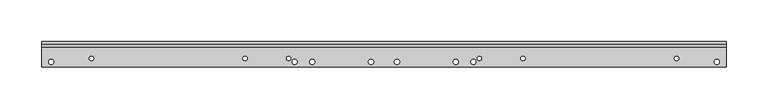
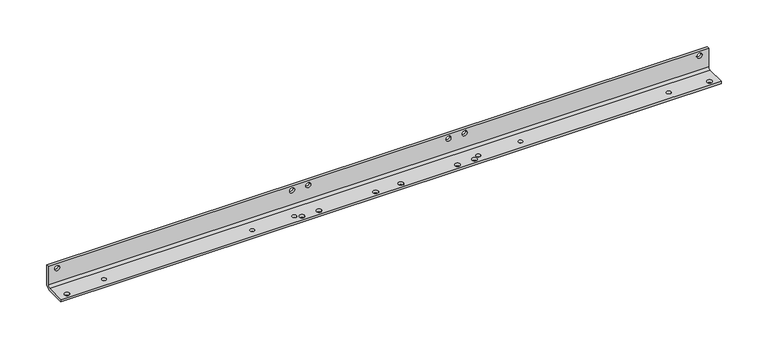
"""IFC4 building model written with IfcOpenShell, lengths in millimetres: proxy geometry."""

from ifc_helpers import new_model, si_unit, frame, origin, place, context, project, spatial, polyline, circle_curve, source, transform, mapped, element, save
from ifc_brep_helpers import plane_surface, cylinder_surface, revolved_surface, advanced_brep


def generic_models_61bf16f5(model_context):
    return source(origin(), model_context, "Body", "AdvancedBrep", [
        advanced_brep(
        [(-399.6, -9.0, 3.0), (-399.6, -9.0, 0.0), (-393.4, -9.0, 0.0), (-393.4, -9.0, 3.0), (393.4, -9.0, 3.0), (393.4, -9.0, 0.0), (399.6, -9.0, 0.0), (399.6, -9.0, 3.0), (399.6, 12.0, 24.0), (399.6, 15.0, 24.0), (393.4, 15.0, 24.0), (393.4, 12.0, 24.0), (-393.4, 12.0, 24.0), (-393.4, 15.0, 24.0), (-399.6, 15.0, 24.0), (-399.6, 12.0, 24.0), (-116.1, -5.0, 3.0), (-116.1, -5.0, 0.0), (-110.9, -5.0, 0.0), (-110.9, -5.0, 3.0), (110.9, -5.0, 3.0), (110.9, -5.0, 0.0), (116.1, -5.0, 0.0), (116.1, -5.0, 3.0), (345.9, -5.0, 3.0), (345.9, -5.0, 0.0), (351.1, -5.0, 0.0), (351.1, -5.0, 3.0), (-351.1, -5.0, 3.0), (-351.1, -5.0, 0.0), (-345.9, -5.0, 0.0), (-345.9, -5.0, 3.0), (162.9, -5.0, 3.0), (162.9, -5.0, 0.0), (168.1, -5.0, 0.0), (168.1, -5.0, 3.0), (-168.1, -5.0, 3.0), (-168.1, -5.0, 0.0), (-162.9, -5.0, 0.0), (-162.9, -5.0, 3.0), (109.6, 12.0, 24.0), (109.6, 15.0, 24.0), (103.4, 15.0, 24.0), (103.4, 12.0, 24.0), (89.6, 12.0, 24.0), (89.6, 15.0, 24.0), (83.4, 15.0, 24.0), (83.4, 12.0, 24.0), (-83.4, 12.0, 24.0), (-83.4, 15.0, 24.0), (-89.6, 15.0, 24.0), (-89.6, 12.0, 24.0), (-103.4, 12.0, 24.0), (-103.4, 15.0, 24.0), (-109.6, 15.0, 24.0), (-109.6, 12.0, 24.0), (-109.6, -9.0, 3.0), (-109.6, -9.0, 0.0), (-103.4, -9.0, 0.0), (-103.4, -9.0, 3.0), (103.4, -9.0, 3.0), (103.4, -9.0, 0.0), (109.6, -9.0, 0.0), (109.6, -9.0, 3.0), (12.4, -9.0, 3.0), (12.4, -9.0, 0.0), (18.6, -9.0, 0.0), (18.6, -9.0, 3.0), (82.4, -9.0, 3.0), (82.4, -9.0, 0.0), (88.6, -9.0, 0.0), (88.6, -9.0, 3.0), (-18.6, -9.0, 3.0), (-18.6, -9.0, 0.0), (-12.4, -9.0, 0.0), (-12.4, -9.0, 3.0), (-88.6, -9.0, 3.0), (-88.6, -9.0, 0.0), (-82.4, -9.0, 0.0), (-82.4, -9.0, 3.0), (407.5, 15.0, 6.0), (407.5, 15.0, 30.0), (407.5, 12.0, 30.0), (407.5, 12.0, 6.0), (407.5, 9.0, 3.0), (407.5, -15.0, 3.0), (407.5, -15.0, 0.0), (407.5, 9.0, 0.0), (-407.5, 15.0, 6.0), (-407.5, 15.0, 30.0), (-407.5, 12.0, 6.0), (-407.5, 12.0, 30.0), (-407.5, 9.0, 0.0), (-407.5, -15.0, 0.0), (-407.5, -15.0, 3.0), (-407.5, 9.0, 3.0)],
        [
            (0, 1),
            (1, 2, circle_curve(frame((-396.5, -9.0, 0.0), z_axis=(0.0, 0.0, -1.0), x_axis=(-1.0, 0.0, 0.0)), 3.1)),
            (2, 3),
            (3, 0, circle_curve(frame((-396.5, -9.0, 3.0), z_axis=(0.0, 0.0, 1.0), x_axis=(-1.0, 0.0, 0.0)), 3.1)),
            (4, 5),
            (5, 6, circle_curve(frame((396.5, -9.0, 0.0), z_axis=(0.0, 0.0, -1.0), x_axis=(-1.0, 0.0, 0.0)), 3.1)),
            (6, 7),
            (7, 4, circle_curve(frame((396.5, -9.0, 3.0), z_axis=(0.0, 0.0, 1.0), x_axis=(-1.0, 0.0, 0.0)), 3.1)),
            (8, 9),
            (9, 10, circle_curve(frame((396.5, 15.0, 24.0), z_axis=(0.0, 1.0, 0.0), x_axis=(1.0, 0.0, 0.0)), 3.1)),
            (10, 11),
            (11, 8, circle_curve(frame((396.5, 12.0, 24.0), z_axis=(0.0, -1.0, 0.0), x_axis=(1.0, 0.0, 0.0)), 3.1)),
            (12, 13),
            (13, 14, circle_curve(frame((-396.5, 15.0, 24.0), z_axis=(0.0, 1.0, 0.0), x_axis=(1.0, 0.0, 0.0)), 3.1)),
            (14, 15),
            (15, 12, circle_curve(frame((-396.5, 12.0, 24.0), z_axis=(0.0, -1.0, 0.0), x_axis=(1.0, 0.0, 0.0)), 3.1)),
            (16, 17),
            (17, 18, circle_curve(frame((-113.5, -5.0, 0.0), z_axis=(0.0, 0.0, -1.0), x_axis=(-1.0, 0.0, 0.0)), 2.6)),
            (18, 19),
            (19, 16, circle_curve(frame((-113.5, -5.0, 3.0), z_axis=(0.0, 0.0, 1.0), x_axis=(-1.0, 0.0, 0.0)), 2.6)),
            (20, 21),
            (21, 22, circle_curve(frame((113.5, -5.0, 0.0), z_axis=(0.0, 0.0, -1.0), x_axis=(-1.0, 0.0, 0.0)), 2.6)),
            (22, 23),
            (23, 20, circle_curve(frame((113.5, -5.0, 3.0), z_axis=(0.0, 0.0, 1.0), x_axis=(-1.0, 0.0, 0.0)), 2.6)),
            (24, 25),
            (25, 26, circle_curve(frame((348.5, -5.0, 0.0), z_axis=(0.0, 0.0, -1.0), x_axis=(-1.0, 0.0, 0.0)), 2.6)),
            (26, 27),
            (27, 24, circle_curve(frame((348.5, -5.0, 3.0), z_axis=(0.0, 0.0, 1.0), x_axis=(-1.0, 0.0, 0.0)), 2.6)),
            (28, 29),
            (29, 30, circle_curve(frame((-348.5, -5.0, 0.0), z_axis=(0.0, 0.0, -1.0), x_axis=(-1.0, 0.0, 0.0)), 2.6)),
            (30, 31),
            (31, 28, circle_curve(frame((-348.5, -5.0, 3.0), z_axis=(0.0, 0.0, 1.0), x_axis=(-1.0, 0.0, 0.0)), 2.6)),
            (32, 33),
            (33, 34, circle_curve(frame((165.5, -5.0, 0.0), z_axis=(0.0, 0.0, -1.0), x_axis=(-1.0, 0.0, 0.0)), 2.6)),
            (34, 35),
            (35, 32, circle_curve(frame((165.5, -5.0, 3.0), z_axis=(0.0, 0.0, 1.0), x_axis=(-1.0, 0.0, 0.0)), 2.6)),
            (36, 37),
            (37, 38, circle_curve(frame((-165.5, -5.0, 0.0), z_axis=(0.0, 0.0, -1.0), x_axis=(-1.0, 0.0, 0.0)), 2.6)),
            (38, 39),
            (39, 36, circle_curve(frame((-165.5, -5.0, 3.0), z_axis=(0.0, 0.0, 1.0), x_axis=(-1.0, 0.0, 0.0)), 2.6)),
            (40, 41),
            (41, 42, circle_curve(frame((106.5, 15.0, 24.0), z_axis=(0.0, 1.0, 0.0), x_axis=(1.0, 0.0, 0.0)), 3.1)),
            (42, 43),
            (43, 40, circle_curve(frame((106.5, 12.0, 24.0), z_axis=(0.0, -1.0, 0.0), x_axis=(1.0, 0.0, 0.0)), 3.1)),
            (44, 45),
            (45, 46, circle_curve(frame((86.5, 15.0, 24.0), z_axis=(0.0, 1.0, 0.0), x_axis=(1.0, 0.0, 0.0)), 3.1)),
            (46, 47),
            (47, 44, circle_curve(frame((86.5, 12.0, 24.0), z_axis=(0.0, -1.0, 0.0), x_axis=(1.0, 0.0, 0.0)), 3.1)),
            (48, 49),
            (49, 50, circle_curve(frame((-86.5, 15.0, 24.0), z_axis=(0.0, 1.0, 0.0), x_axis=(1.0, 0.0, 0.0)), 3.1)),
            (50, 51),
            (51, 48, circle_curve(frame((-86.5, 12.0, 24.0), z_axis=(0.0, -1.0, 0.0), x_axis=(1.0, 0.0, 0.0)), 3.1)),
            (52, 53),
            (53, 54, circle_curve(frame((-106.5, 15.0, 24.0), z_axis=(0.0, 1.0, 0.0), x_axis=(1.0, 0.0, 0.0)), 3.1)),
            (54, 55),
            (55, 52, circle_curve(frame((-106.5, 12.0, 24.0), z_axis=(0.0, -1.0, 0.0), x_axis=(1.0, 0.0, 0.0)), 3.1)),
            (56, 57),
            (57, 58, circle_curve(frame((-106.5, -9.0, 0.0), z_axis=(0.0, 0.0, -1.0), x_axis=(-1.0, 0.0, 0.0)), 3.1)),
            (58, 59),
            (59, 56, circle_curve(frame((-106.5, -9.0, 3.0), z_axis=(0.0, 0.0, 1.0), x_axis=(-1.0, 0.0, 0.0)), 3.1)),
            (60, 61),
            (61, 62, circle_curve(frame((106.5, -9.0, 0.0), z_axis=(0.0, 0.0, -1.0), x_axis=(-1.0, 0.0, 0.0)), 3.1)),
            (62, 63),
            (63, 60, circle_curve(frame((106.5, -9.0, 3.0), z_axis=(0.0, 0.0, 1.0), x_axis=(-1.0, 0.0, 0.0)), 3.1)),
            (64, 65),
            (65, 66, circle_curve(frame((15.5, -9.0, 0.0), z_axis=(0.0, 0.0, -1.0), x_axis=(-1.0, 0.0, 0.0)), 3.1)),
            (66, 67),
            (67, 64, circle_curve(frame((15.5, -9.0, 3.0), z_axis=(0.0, 0.0, 1.0), x_axis=(-1.0, 0.0, 0.0)), 3.1)),
            (68, 69),
            (69, 70, circle_curve(frame((85.5, -9.0, 0.0), z_axis=(0.0, 0.0, -1.0), x_axis=(-1.0, 0.0, 0.0)), 3.1)),
            (70, 71),
            (71, 68, circle_curve(frame((85.5, -9.0, 3.0), z_axis=(0.0, 0.0, 1.0), x_axis=(-1.0, 0.0, 0.0)), 3.1)),
            (72, 73),
            (73, 74, circle_curve(frame((-15.5, -9.0, 0.0), z_axis=(0.0, 0.0, -1.0), x_axis=(-1.0, 0.0, 0.0)), 3.1)),
            (74, 75),
            (75, 72, circle_curve(frame((-15.5, -9.0, 3.0), z_axis=(0.0, 0.0, 1.0), x_axis=(-1.0, 0.0, 0.0)), 3.1)),
            (76, 77),
            (77, 78, circle_curve(frame((-85.5, -9.0, 0.0), z_axis=(0.0, 0.0, -1.0), x_axis=(-1.0, 0.0, 0.0)), 3.1)),
            (78, 79),
            (79, 76, circle_curve(frame((-85.5, -9.0, 3.0), z_axis=(0.0, 0.0, 1.0), x_axis=(-1.0, 0.0, 0.0)), 3.1)),
            (76, 79, circle_curve(frame((-85.5, -9.0, 3.0), z_axis=(0.0, 0.0, 1.0), x_axis=(-1.0, 0.0, 0.0)), 3.1)),
            (78, 77, circle_curve(frame((-85.5, -9.0, 0.0), z_axis=(0.0, 0.0, -1.0), x_axis=(-1.0, 0.0, 0.0)), 3.1)),
            (72, 75, circle_curve(frame((-15.5, -9.0, 3.0), z_axis=(0.0, 0.0, 1.0), x_axis=(-1.0, 0.0, 0.0)), 3.1)),
            (74, 73, circle_curve(frame((-15.5, -9.0, 0.0), z_axis=(0.0, 0.0, -1.0), x_axis=(-1.0, 0.0, 0.0)), 3.1)),
            (68, 71, circle_curve(frame((85.5, -9.0, 3.0), z_axis=(0.0, 0.0, 1.0), x_axis=(-1.0, 0.0, 0.0)), 3.1)),
            (70, 69, circle_curve(frame((85.5, -9.0, 0.0), z_axis=(0.0, 0.0, -1.0), x_axis=(-1.0, 0.0, 0.0)), 3.1)),
            (64, 67, circle_curve(frame((15.5, -9.0, 3.0), z_axis=(0.0, 0.0, 1.0), x_axis=(-1.0, 0.0, 0.0)), 3.1)),
            (66, 65, circle_curve(frame((15.5, -9.0, 0.0), z_axis=(0.0, 0.0, -1.0), x_axis=(-1.0, 0.0, 0.0)), 3.1)),
            (60, 63, circle_curve(frame((106.5, -9.0, 3.0), z_axis=(0.0, 0.0, 1.0), x_axis=(-1.0, 0.0, 0.0)), 3.1)),
            (62, 61, circle_curve(frame((106.5, -9.0, 0.0), z_axis=(0.0, 0.0, -1.0), x_axis=(-1.0, 0.0, 0.0)), 3.1)),
            (56, 59, circle_curve(frame((-106.5, -9.0, 3.0), z_axis=(0.0, 0.0, 1.0), x_axis=(-1.0, 0.0, 0.0)), 3.1)),
            (58, 57, circle_curve(frame((-106.5, -9.0, 0.0), z_axis=(0.0, 0.0, -1.0), x_axis=(-1.0, 0.0, 0.0)), 3.1)),
            (52, 55, circle_curve(frame((-106.5, 12.0, 24.0), z_axis=(0.0, -1.0, 0.0), x_axis=(1.0, 0.0, 0.0)), 3.1)),
            (54, 53, circle_curve(frame((-106.5, 15.0, 24.0), z_axis=(0.0, 1.0, 0.0), x_axis=(1.0, 0.0, 0.0)), 3.1)),
            (48, 51, circle_curve(frame((-86.5, 12.0, 24.0), z_axis=(0.0, -1.0, 0.0), x_axis=(1.0, 0.0, 0.0)), 3.1)),
            (50, 49, circle_curve(frame((-86.5, 15.0, 24.0), z_axis=(0.0, 1.0, 0.0), x_axis=(1.0, 0.0, 0.0)), 3.1)),
            (44, 47, circle_curve(frame((86.5, 12.0, 24.0), z_axis=(0.0, -1.0, 0.0), x_axis=(1.0, 0.0, 0.0)), 3.1)),
            (46, 45, circle_curve(frame((86.5, 15.0, 24.0), z_axis=(0.0, 1.0, 0.0), x_axis=(1.0, 0.0, 0.0)), 3.1)),
            (40, 43, circle_curve(frame((106.5, 12.0, 24.0), z_axis=(0.0, -1.0, 0.0), x_axis=(1.0, 0.0, 0.0)), 3.1)),
            (42, 41, circle_curve(frame((106.5, 15.0, 24.0), z_axis=(0.0, 1.0, 0.0), x_axis=(1.0, 0.0, 0.0)), 3.1)),
            (36, 39, circle_curve(frame((-165.5, -5.0, 3.0), z_axis=(0.0, 0.0, 1.0), x_axis=(-1.0, 0.0, 0.0)), 2.6)),
            (38, 37, circle_curve(frame((-165.5, -5.0, 0.0), z_axis=(0.0, 0.0, -1.0), x_axis=(-1.0, 0.0, 0.0)), 2.6)),
            (32, 35, circle_curve(frame((165.5, -5.0, 3.0), z_axis=(0.0, 0.0, 1.0), x_axis=(-1.0, 0.0, 0.0)), 2.6)),
            (34, 33, circle_curve(frame((165.5, -5.0, 0.0), z_axis=(0.0, 0.0, -1.0), x_axis=(-1.0, 0.0, 0.0)), 2.6)),
            (28, 31, circle_curve(frame((-348.5, -5.0, 3.0), z_axis=(0.0, 0.0, 1.0), x_axis=(-1.0, 0.0, 0.0)), 2.6)),
            (30, 29, circle_curve(frame((-348.5, -5.0, 0.0), z_axis=(0.0, 0.0, -1.0), x_axis=(-1.0, 0.0, 0.0)), 2.6)),
            (24, 27, circle_curve(frame((348.5, -5.0, 3.0), z_axis=(0.0, 0.0, 1.0), x_axis=(-1.0, 0.0, 0.0)), 2.6)),
            (26, 25, circle_curve(frame((348.5, -5.0, 0.0), z_axis=(0.0, 0.0, -1.0), x_axis=(-1.0, 0.0, 0.0)), 2.6)),
            (20, 23, circle_curve(frame((113.5, -5.0, 3.0), z_axis=(0.0, 0.0, 1.0), x_axis=(-1.0, 0.0, 0.0)), 2.6)),
            (22, 21, circle_curve(frame((113.5, -5.0, 0.0), z_axis=(0.0, 0.0, -1.0), x_axis=(-1.0, 0.0, 0.0)), 2.6)),
            (16, 19, circle_curve(frame((-113.5, -5.0, 3.0), z_axis=(0.0, 0.0, 1.0), x_axis=(-1.0, 0.0, 0.0)), 2.6)),
            (18, 17, circle_curve(frame((-113.5, -5.0, 0.0), z_axis=(0.0, 0.0, -1.0), x_axis=(-1.0, 0.0, 0.0)), 2.6)),
            (12, 15, circle_curve(frame((-396.5, 12.0, 24.0), z_axis=(0.0, -1.0, 0.0), x_axis=(1.0, 0.0, 0.0)), 3.1)),
            (14, 13, circle_curve(frame((-396.5, 15.0, 24.0), z_axis=(0.0, 1.0, 0.0), x_axis=(1.0, 0.0, 0.0)), 3.1)),
            (8, 11, circle_curve(frame((396.5, 12.0, 24.0), z_axis=(0.0, -1.0, 0.0), x_axis=(1.0, 0.0, 0.0)), 3.1)),
            (10, 9, circle_curve(frame((396.5, 15.0, 24.0), z_axis=(0.0, 1.0, 0.0), x_axis=(1.0, 0.0, 0.0)), 3.1)),
            (4, 7, circle_curve(frame((396.5, -9.0, 3.0), z_axis=(0.0, 0.0, 1.0), x_axis=(-1.0, 0.0, 0.0)), 3.1)),
            (6, 5, circle_curve(frame((396.5, -9.0, 0.0), z_axis=(0.0, 0.0, -1.0), x_axis=(-1.0, 0.0, 0.0)), 3.1)),
            (0, 3, circle_curve(frame((-396.5, -9.0, 3.0), z_axis=(0.0, 0.0, 1.0), x_axis=(-1.0, 0.0, 0.0)), 3.1)),
            (2, 1, circle_curve(frame((-396.5, -9.0, 0.0), z_axis=(0.0, 0.0, -1.0), x_axis=(-1.0, 0.0, 0.0)), 3.1)),
            (80, 81),
            (81, 82),
            (82, 83),
            (83, 84, circle_curve(frame((407.5, 9.0, 6.0), z_axis=(-1.0, 0.0, 0.0), x_axis=(0.0, 0.0, -1.0)), 3.0)),
            (84, 85),
            (85, 86),
            (86, 87),
            (87, 80, circle_curve(frame((407.5, 9.0, 6.0), z_axis=(1.0, 0.0, 0.0), x_axis=(0.0, 0.0, -1.0)), 6.0)),
            (80, 88),
            (88, 89),
            (89, 81),
            (90, 91),
            (91, 89),
            (88, 92, circle_curve(frame((-407.5, 9.0, 6.0), z_axis=(-1.0, 0.0, 0.0), x_axis=(0.0, 0.0, -1.0)), 6.0)),
            (92, 93),
            (93, 94),
            (94, 95),
            (95, 90, circle_curve(frame((-407.5, 9.0, 6.0), z_axis=(1.0, 0.0, 0.0), x_axis=(0.0, 0.0, -1.0)), 3.0)),
            (91, 82),
            (90, 83),
            (95, 84),
            (87, 92),
            (94, 85),
            (93, 86),
        ],
        [
            revolved_surface(polyline([(-399.6, -9.0, 0.0), (-399.6, -9.0, 3.0)]), (-396.5, -9.0, 1.5), (0.0, 0.0, -1.0)),
            revolved_surface(polyline([(393.4, -9.0, 0.0), (393.4, -9.0, 3.0)]), (396.5, -9.0, 1.5), (0.0, 0.0, -1.0)),
            revolved_surface(polyline([(399.6, 15.0, 24.0), (399.6, 12.0, 24.0)]), (396.5, 13.5, 24.0), (0.0, 1.0, 0.0)),
            revolved_surface(polyline([(-393.4, 15.0, 24.0), (-393.4, 12.0, 24.0)]), (-396.5, 13.5, 24.0), (0.0, 1.0, 0.0)),
            revolved_surface(polyline([(-116.1, -5.0, 0.0), (-116.1, -5.0, 3.0)]), (-113.5, -5.0, 1.5), (0.0, 0.0, -1.0)),
            revolved_surface(polyline([(110.9, -5.0, 0.0), (110.9, -5.0, 3.0)]), (113.5, -5.0, 1.5), (0.0, 0.0, -1.0)),
            revolved_surface(polyline([(345.9, -5.0, 0.0), (345.9, -5.0, 3.0)]), (348.5, -5.0, 1.5), (0.0, 0.0, -1.0)),
            revolved_surface(polyline([(-351.1, -5.0, 0.0), (-351.1, -5.0, 3.0)]), (-348.5, -5.0, 1.5), (0.0, 0.0, -1.0)),
            revolved_surface(polyline([(162.9, -5.0, 0.0), (162.9, -5.0, 3.0)]), (165.5, -5.0, 1.5), (0.0, 0.0, -1.0)),
            revolved_surface(polyline([(-168.1, -5.0, 0.0), (-168.1, -5.0, 3.0)]), (-165.5, -5.0, 1.5), (0.0, 0.0, -1.0)),
            revolved_surface(polyline([(109.6, 15.0, 24.0), (109.6, 12.0, 24.0)]), (106.5, 13.5, 24.0), (0.0, 1.0, 0.0)),
            revolved_surface(polyline([(89.6, 15.0, 24.0), (89.6, 12.0, 24.0)]), (86.5, 13.5, 24.0), (0.0, 1.0, 0.0)),
            revolved_surface(polyline([(-83.4, 15.0, 24.0), (-83.4, 12.0, 24.0)]), (-86.5, 13.5, 24.0), (0.0, 1.0, 0.0)),
            revolved_surface(polyline([(-103.4, 15.0, 24.0), (-103.4, 12.0, 24.0)]), (-106.5, 13.5, 24.0), (0.0, 1.0, 0.0)),
            revolved_surface(polyline([(-109.6, -9.0, 0.0), (-109.6, -9.0, 3.0)]), (-106.5, -9.0, 1.5), (0.0, 0.0, -1.0)),
            revolved_surface(polyline([(103.4, -9.0, 0.0), (103.4, -9.0, 3.0)]), (106.5, -9.0, 1.5), (0.0, 0.0, -1.0)),
            revolved_surface(polyline([(12.4, -9.0, 0.0), (12.4, -9.0, 3.0)]), (15.5, -9.0, 1.5), (0.0, 0.0, -1.0)),
            revolved_surface(polyline([(82.4, -9.0, 0.0), (82.4, -9.0, 3.0)]), (85.5, -9.0, 1.5), (0.0, 0.0, -1.0)),
            revolved_surface(polyline([(-18.6, -9.0, 0.0), (-18.6, -9.0, 3.0)]), (-15.5, -9.0, 1.5), (0.0, 0.0, -1.0)),
            revolved_surface(polyline([(-88.6, -9.0, 0.0), (-88.6, -9.0, 3.0)]), (-85.5, -9.0, 1.5), (0.0, 0.0, -1.0)),
            plane_surface(frame((407.5, 15.0, 30.0), z_axis=(1.0, 0.0, 0.0), x_axis=(0.0, 0.0, -1.0))),
            plane_surface(frame((0.0, 15.0, 16.5), z_axis=(0.0, 1.0, 0.0), x_axis=(0.0, 0.0, 1.0))),
            plane_surface(frame((-407.5, 15.0, 3.0), z_axis=(-1.0, 0.0, 0.0), x_axis=(0.0, 0.0, 1.0))),
            plane_surface(frame((-407.5, 15.0, 30.0), z_axis=(0.0, 0.0, 1.0), x_axis=(1.0, 0.0, 0.0))),
            plane_surface(frame((0.0, 12.0, 16.5), z_axis=(0.0, -1.0, 0.0), x_axis=(0.0, 0.0, 1.0))),
            revolved_surface(polyline([(407.5, 9.0, 3.0), (-407.5, 9.0, 3.0)]), (0.0, 9.0, 6.0), (1.0, 0.0, 0.0)),
            cylinder_surface(frame((0.0, 9.0, 6.0), z_axis=(1.0, 0.0, 0.0), x_axis=(0.0, 0.0, -1.0)), 6.0),
            plane_surface(frame((0.0, 0.0, 3.0), z_axis=(0.0, 0.0, 1.0), x_axis=(1.0, 0.0, 0.0))),
            plane_surface(frame((407.5, -15.0, 0.0), z_axis=(0.0, -1.0, 0.0), x_axis=(0.0, 0.0, -1.0))),
            plane_surface(frame((0.0, 0.0, 0.0), z_axis=(0.0, 0.0, -1.0), x_axis=(1.0, 0.0, 0.0))),
        ],
        [
            (0, [[1, 2, 3, 4]]),
            (1, [[5, 6, 7, 8]]),
            (2, [[9, 10, 11, 12]]),
            (3, [[13, 14, 15, 16]]),
            (4, [[17, 18, 19, 20]]),
            (5, [[21, 22, 23, 24]]),
            (6, [[25, 26, 27, 28]]),
            (7, [[29, 30, 31, 32]]),
            (8, [[33, 34, 35, 36]]),
            (9, [[37, 38, 39, 40]]),
            (10, [[41, 42, 43, 44]]),
            (11, [[45, 46, 47, 48]]),
            (12, [[49, 50, 51, 52]]),
            (13, [[53, 54, 55, 56]]),
            (14, [[57, 58, 59, 60]]),
            (15, [[61, 62, 63, 64]]),
            (16, [[65, 66, 67, 68]]),
            (17, [[69, 70, 71, 72]]),
            (18, [[73, 74, 75, 76]]),
            (19, [[77, 78, 79, 80]]),
            (19, [[-77, 81, -79, 82]]),
            (18, [[-73, 83, -75, 84]]),
            (17, [[-69, 85, -71, 86]]),
            (16, [[-65, 87, -67, 88]]),
            (15, [[-61, 89, -63, 90]]),
            (14, [[-57, 91, -59, 92]]),
            (13, [[-53, 93, -55, 94]]),
            (12, [[-49, 95, -51, 96]]),
            (11, [[-45, 97, -47, 98]]),
            (10, [[-41, 99, -43, 100]]),
            (9, [[-37, 101, -39, 102]]),
            (8, [[-33, 103, -35, 104]]),
            (7, [[-29, 105, -31, 106]]),
            (6, [[-25, 107, -27, 108]]),
            (5, [[-21, 109, -23, 110]]),
            (4, [[-17, 111, -19, 112]]),
            (3, [[-13, 113, -15, 114]]),
            (2, [[-9, 115, -11, 116]]),
            (1, [[-5, 117, -7, 118]]),
            (0, [[-1, 119, -3, 120]]),
            (20, [[121, 122, 123, 124, 125, 126, 127, 128]]),
            (21, [[129, 130, 131, -121], [-94, -54], [-96, -50], [-98, -46], [-100, -42], [-114, -14], [-116, -10]]),
            (22, [[132, 133, -130, 134, 135, 136, 137, 138]]),
            (23, [[139, -122, -131, -133]]),
            (24, [[140, -123, -139, -132], [-12, -115], [-16, -113], [-44, -99], [-48, -97], [-52, -95], [-56, -93]]),
            (25, [[-140, -138, 141, -124]]),
            (26, [[-129, -128, 142, -134]]),
            (27, [[-141, -137, 143, -125], [-4, -119], [-8, -117], [-20, -111], [-24, -109], [-28, -107], [-32, -105], [-36, -103], [-40, -101], [-60, -91], [-64, -89], [-68, -87], [-72, -85], [-76, -83], [-80, -81]]),
            (28, [[-143, -136, 144, -126]]),
            (29, [[-142, -127, -144, -135], [-82, -78], [-84, -74], [-86, -70], [-88, -66], [-90, -62], [-92, -58], [-102, -38], [-104, -34], [-106, -30], [-108, -26], [-110, -22], [-112, -18], [-118, -6], [-120, -2]]),
        ],
    ),
    ])


if __name__ == "__main__":
    model = new_model("IFC4")
    model_context = context("Model", 3, world=origin())
    ifc_project = project(units=[si_unit("LENGTHUNIT", "METRE", prefix="MILLI")], contexts=[model_context])
    site = spatial("IfcSite", under=ifc_project)
    building = spatial("IfcBuilding", under=site)
    placement = place(None, origin())
    generic_models_shape = generic_models_61bf16f5(model_context)
    element("IfcBuildingElementProxy", 1, Name="Generic Models", at=placement, inside=building, context=model_context, shape_type="MappedRepresentation", body=[
        mapped(generic_models_shape, transform((0.0, 0.0, 0.0), x_axis=(1.0, 0.0, 0.0), y_axis=(0.0, 1.0, 0.0), z_axis=(0.0, 0.0, 1.0))),
    ])
    save(model, "model.ifc")
